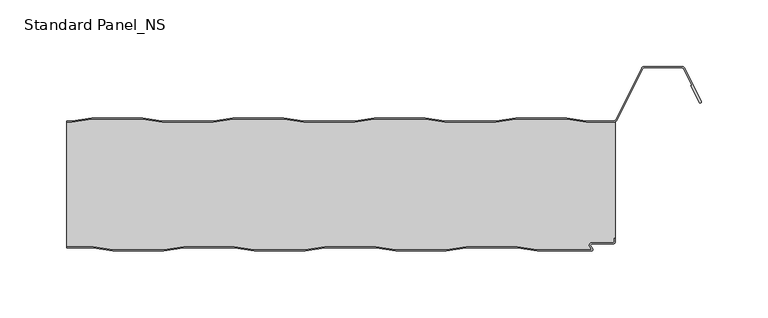
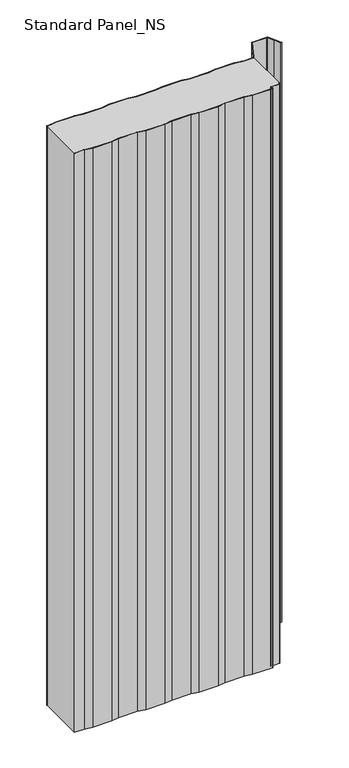
"""IFC4 building model written with IfcOpenShell, lengths in millimetres: proxy geometry, Standard Panel_NS."""

from ifc_helpers import new_model, si_unit, point, frame, frame_2d, origin, origin_with_axes, place, context, project, spatial, polyline, circle_curve, trimmed, segment, composite_curve, outline, extrude, source, transform, mapped, element, save
from ifc_brep_helpers import plane_surface, cylinder_surface, revolved_surface, advanced_brep


def standard_panel_ns_4eaff3cd(model_context):
    return source(origin(), model_context, "Body", "SolidModel", [
        extrude(outline(composite_curve([segment(polyline([(-203.6028864, 3.3), (-188.6028864, 0.8), (-150.7353064, 0.8), (-135.7353064, 3.3), (-97.6028864, 3.3), (-82.6028864, 0.8), (-44.7353064, 0.8), (-29.7353064, 3.3), (8.3971136, 3.3), (23.3971136, 0.8), (61.2646936, 0.8), (76.2646936, 3.3), (114.3971136, 3.3), (129.3971136, 0.8), (170.5052217, 0.8), (168.869845, 3.3204106)]), True, "CONTINUOUS"), segment(trimmed(circle_curve(frame_2d((170.3798342, 4.3001721)), 1.8), [point((168.869845, 3.3204106))], [point((170.3798342, 6.1001721))], False, "CARTESIAN"), True, "CONTINUOUS"), segment(polyline([(170.3798342, 6.1001721), (185.9659043, 6.1001721)]), True, "CONTINUOUS"), segment(trimmed(circle_curve(frame_2d((185.9659043, 7.4001714)), 1.2999993), [point((185.9659043, 6.1001721))], [point((187.2659036, 7.4001714))], True, "CARTESIAN"), True, "CONTINUOUS"), segment(polyline([(187.2659036, 7.4001714), (187.2659036, 9.4001722), (188.0659036, 9.4001722), (188.0659036, 7.4001714)]), True, "CONTINUOUS"), segment(trimmed(circle_curve(frame_2d((185.9659043, 7.4001714)), 2.0999993), [point((188.0659036, 7.4001714))], [point((185.9659043, 5.3001721))], False, "CARTESIAN"), True, "CONTINUOUS"), segment(polyline([(185.9659043, 5.3001721), (170.3798342, 5.3001721)]), True, "CONTINUOUS"), segment(trimmed(circle_curve(frame_2d((170.3798342, 4.3001721)), 1.0), [point((170.3798342, 5.3001721))], [point((169.5409513, 3.7558601))], True, "CARTESIAN"), True, "CONTINUOUS"), segment(polyline([(169.5409513, 3.7558601), (170.9759217, 1.5443119)]), True, "CONTINUOUS"), segment(trimmed(circle_curve(frame_2d((170.1370388, 1.0)), 1.0), [point((170.9759217, 1.5443119))], [point((170.1370388, 0.0))], False, "CARTESIAN"), True, "CONTINUOUS"), segment(polyline([(170.1370388, 0.0), (129.3309036, 0.0), (114.3309036, 2.5), (76.3309036, 2.5), (61.3309036, 0.0), (23.3309036, 0.0), (8.3309036, 2.5), (-29.6690964, 2.5), (-44.6690964, 0.0), (-82.6690964, 0.0), (-97.6690964, 2.5), (-135.6690964, 2.5), (-150.6690964, 0.0), (-188.6690964, 0.0), (-203.6690964, 2.5), (-223.4042607, 2.5), (-223.4042607, 3.3), (-203.6028864, 3.3)]), True, "CONTINUOUS")], self_intersect=False)), origin_with_axes(), (0.0, 0.0, 1.0), 1219.2),
        extrude(outline(composite_curve([segment(polyline([(-219.5261524, 97.5), (-204.6867594, 100.0), (-166.4777146, 100.0), (-151.6383215, 97.5), (-113.5261524, 97.5), (-98.6867594, 100.0), (-60.4777146, 100.0), (-45.6383215, 97.5), (-7.5261524, 97.5), (7.3132406, 100.0), (45.5222854, 100.0), (60.3616785, 97.5), (98.4738476, 97.5), (113.3132406, 100.0), (151.5222854, 100.0), (166.3616785, 97.5), (186.5082999, 97.5)]), True, "CONTINUOUS"), segment(trimmed(circle_curve(frame_2d((186.5082999, 99.8)), 2.3), [point((186.5082999, 97.5))], [point((188.5664438, 98.7733338))], True, "CARTESIAN"), True, "CONTINUOUS"), segment(polyline([(188.5664438, 98.7733338), (207.7687355, 137.2679093)]), True, "CONTINUOUS"), segment(trimmed(circle_curve(frame_2d((209.8268795, 136.241243)), 2.3), [point((207.7687355, 137.2679093))], [point((209.8268795, 138.541243))], False, "CARTESIAN"), True, "CONTINUOUS"), segment(polyline([(209.8268795, 138.541243), (237.9816419, 138.541243)]), True, "CONTINUOUS"), segment(trimmed(circle_curve(frame_2d((237.9816419, 136.241243)), 2.3), [point((237.9816419, 138.541243))], [point((240.039338, 137.2688066))], False, "CARTESIAN"), True, "CONTINUOUS"), segment(polyline([(240.039338, 137.2688066), (252.4495038, 112.4174495)]), True, "CONTINUOUS"), segment(trimmed(circle_curve(frame_2d((251.7337834, 112.0600361)), 0.8), [point((252.4495038, 112.4174495))], [point((251.018063, 111.7026227))], False, "CARTESIAN"), True, "CONTINUOUS"), segment(polyline([(251.018063, 111.7026227), (244.6739749, 124.4066593), (245.3896952, 124.7640727), (239.3236176, 136.9113932)]), True, "CONTINUOUS"), segment(trimmed(circle_curve(frame_2d((237.9816419, 136.241243)), 1.5), [point((239.3236176, 136.9113932))], [point((237.9816419, 137.741243))], True, "CARTESIAN"), True, "CONTINUOUS"), segment(polyline([(237.9816419, 137.741243), (209.8268795, 137.741243)]), True, "CONTINUOUS"), segment(trimmed(circle_curve(frame_2d((209.8268795, 136.241243)), 1.5), [point((209.8268795, 137.741243))], [point((208.4846117, 136.910808))], True, "CARTESIAN"), True, "CONTINUOUS"), segment(polyline([(208.4846117, 136.910808), (189.28232, 98.4162325)]), True, "CONTINUOUS"), segment(trimmed(circle_curve(frame_2d((186.5082999, 99.8)), 3.1), [point((189.28232, 98.4162325))], [point((186.5082999, 96.7))], False, "CARTESIAN"), True, "CONTINUOUS"), segment(polyline([(186.5082999, 96.7), (166.2947617, 96.7), (151.4553687, 99.2), (113.3801573, 99.2), (98.5407643, 96.7), (60.2947617, 96.7), (45.4553687, 99.2), (7.3801573, 99.2), (-7.4592357, 96.7), (-45.7052383, 96.7), (-60.5446313, 99.2), (-98.6198427, 99.2), (-113.4592357, 96.7), (-151.7052383, 96.7), (-166.5446313, 99.2), (-204.6198427, 99.2), (-219.4592357, 96.7), (-223.4042607, 96.7), (-223.4042607, 97.5), (-219.5261524, 97.5)]), True, "CONTINUOUS")], self_intersect=False)), origin_with_axes(), (0.0, 0.0, 1.0), 1219.2),
        advanced_brep(
        [(188.136916, 97.1622719, 1219.2), (186.5082999, 96.7, 1219.2), (166.2947617, 96.7, 1219.2), (151.4553687, 99.2, 1219.2), (113.3801573, 99.2, 1219.2), (98.5407643, 96.7, 1219.2), (60.2947617, 96.7, 1219.2), (45.4553687, 99.2, 1219.2), (7.3801573, 99.2, 1219.2), (-7.4592357, 96.7, 1219.2), (-45.7052383, 96.7, 1219.2), (-60.5446313, 99.2, 1219.2), (-98.6198427, 99.2, 1219.2), (-113.4592357, 96.7, 1219.2), (-151.7052383, 96.7, 1219.2), (-166.5446313, 99.2, 1219.2), (-204.6198427, 99.2, 1219.2), (-219.4592357, 96.7, 1219.2), (-223.4042607, 96.7, 1219.2), (-223.4042607, 3.3, 1219.2), (-203.6028864, 3.3, 1219.2), (-188.6028864, 0.8, 1219.2), (-150.7353064, 0.8, 1219.2), (-135.7353064, 3.3, 1219.2), (-97.6028864, 3.3, 1219.2), (-82.6028864, 0.8, 1219.2), (-44.7353064, 0.8, 1219.2), (-29.7353064, 3.3, 1219.2), (8.3971136, 3.3, 1219.2), (23.3971136, 0.8, 1219.2), (61.2646936, 0.8, 1219.2), (76.2646936, 3.3, 1219.2), (114.3971136, 3.3, 1219.2), (129.3971136, 0.8, 1219.2), (170.5052217, 0.8, 1219.2), (168.869845, 3.3204106, 1219.2), (170.3798342, 6.1001721, 1219.2), (185.9659043, 6.1001721, 1219.2), (187.2659036, 7.4001714, 1219.2), (187.2659036, 9.4001722, 1219.2), (188.1042607, 9.4, 1219.2), (-219.4592357, 96.7, 0.0), (-204.6198427, 99.2, 0.0), (-166.5446313, 99.2, 0.0), (-151.7052383, 96.7, 0.0), (-113.4592357, 96.7, 0.0), (-98.6198427, 99.2, 0.0), (-60.5446313, 99.2, 0.0), (-45.7052383, 96.7, 0.0), (-7.4592357, 96.7, 0.0), (7.3801573, 99.2, 0.0), (45.4553687, 99.2, 0.0), (60.2947617, 96.7, 0.0), (98.5407643, 96.7, 0.0), (113.3801573, 99.2, 0.0), (151.4553687, 99.2, 0.0), (166.2947617, 96.7, 0.0), (186.5082999, 96.7, 0.0), (188.136916, 97.1622719, 0.0), (188.1042607, 9.4, 0.0), (187.2659036, 9.4, 0.0), (187.2659036, 7.4001714, 0.0), (185.9659043, 6.1001721, 0.0), (170.3798342, 6.1001721, 0.0), (168.869845, 3.3204106, 0.0), (170.5052217, 0.8, 0.0), (129.3971136, 0.8, 0.0), (114.3971136, 3.3, 0.0), (76.2646936, 3.3, 0.0), (61.2646936, 0.8, 0.0), (23.3971136, 0.8, 0.0), (8.3971136, 3.3, 0.0), (-29.7353064, 3.3, 0.0), (-44.7353064, 0.8, 0.0), (-82.6028864, 0.8, 0.0), (-97.6028864, 3.3, 0.0), (-135.7353064, 3.3, 0.0), (-150.7353064, 0.8, 0.0), (-188.6028864, 0.8, 0.0), (-203.6028864, 3.3, 0.0), (-223.4042607, 3.3, 0.0), (-223.4042607, 96.7, 0.0)],
        [
            (0, 1, circle_curve(frame((186.5082999, 99.8, 1219.2), z_axis=(0.0, 0.0, -1.0), x_axis=(-1.0, 0.0, 0.0)), 3.1)),
            (1, 2),
            (2, 3),
            (3, 4),
            (4, 5),
            (5, 6),
            (6, 7),
            (7, 8),
            (8, 9),
            (9, 10),
            (10, 11),
            (11, 12),
            (12, 13),
            (13, 14),
            (14, 15),
            (15, 16),
            (16, 17),
            (17, 18),
            (18, 19),
            (19, 20),
            (20, 21),
            (21, 22),
            (22, 23),
            (23, 24),
            (24, 25),
            (25, 26),
            (26, 27),
            (27, 28),
            (28, 29),
            (29, 30),
            (30, 31),
            (31, 32),
            (32, 33),
            (33, 34),
            (34, 35),
            (35, 36, circle_curve(frame((170.3798342, 4.3001721, 1219.2), z_axis=(0.0, 0.0, -1.0), x_axis=(-1.0, 0.0, 0.0)), 1.8)),
            (36, 37),
            (37, 38, circle_curve(frame((185.9659043, 7.4001714, 1219.2), z_axis=(0.0, 0.0, 1.0), x_axis=(-1.0, 0.0, 0.0)), 1.2999993)),
            (38, 39),
            (39, 40),
            (40, 0),
            (41, 42),
            (42, 43),
            (43, 44),
            (44, 45),
            (45, 46),
            (46, 47),
            (47, 48),
            (48, 49),
            (49, 50),
            (50, 51),
            (51, 52),
            (52, 53),
            (53, 54),
            (54, 55),
            (55, 56),
            (56, 57),
            (57, 58, circle_curve(frame((186.5082999, 99.8, 0.0), z_axis=(0.0, 0.0, 1.0), x_axis=(-1.0, 0.0, 0.0)), 3.1)),
            (58, 59),
            (59, 60),
            (60, 61),
            (61, 62, circle_curve(frame((185.9659043, 7.4001714, 0.0), z_axis=(0.0, 0.0, -1.0), x_axis=(-1.0, 0.0, 0.0)), 1.2999993)),
            (62, 63),
            (63, 64, circle_curve(frame((170.3798342, 4.3001721, 0.0), z_axis=(0.0, 0.0, 1.0), x_axis=(-1.0, 0.0, 0.0)), 1.8)),
            (64, 65),
            (65, 66),
            (66, 67),
            (67, 68),
            (68, 69),
            (69, 70),
            (70, 71),
            (71, 72),
            (72, 73),
            (73, 74),
            (74, 75),
            (75, 76),
            (76, 77),
            (77, 78),
            (78, 79),
            (79, 80),
            (80, 81),
            (81, 41),
            (58, 0),
            (40, 59),
            (57, 1),
            (56, 2),
            (55, 3),
            (54, 4),
            (53, 5),
            (52, 6),
            (51, 7),
            (50, 8),
            (49, 9),
            (48, 10),
            (47, 11),
            (46, 12),
            (45, 13),
            (44, 14),
            (43, 15),
            (42, 16),
            (41, 17),
            (81, 18),
            (39, 60),
            (79, 20),
            (19, 80),
            (78, 21),
            (77, 22),
            (76, 23),
            (75, 24),
            (74, 25),
            (73, 26),
            (72, 27),
            (71, 28),
            (70, 29),
            (69, 30),
            (68, 31),
            (67, 32),
            (66, 33),
            (65, 34),
            (64, 35),
            (63, 36),
            (62, 37),
            (61, 38),
        ],
        [
            plane_surface(frame((-276.0957393, 99.2, 1219.2), z_axis=(0.0, 0.0, 1.0), x_axis=(0.0, 1.0, 0.0))),
            plane_surface(frame((-276.0957393, 99.2, 0.0), z_axis=(0.0, 0.0, -1.0), x_axis=(0.0, 1.0, 0.0))),
            plane_surface(frame((188.136916, 94.25, 1219.2), z_axis=(1.0, 0.0, 0.0), x_axis=(0.0, 0.0, -1.0))),
            revolved_surface(polyline([(183.4082999, 99.8, 0.0), (183.4082999, 99.8, 1219.2)]), (186.5082999, 99.8, 1219.2), (0.0, 0.0, -1.0)),
            plane_surface(frame((186.5082999, 96.7, 1219.2), z_axis=(0.0, 1.0, 0.0), x_axis=(0.0, 0.0, -1.0))),
            plane_surface(frame((166.2947617, 96.7, 1219.2), z_axis=(0.16612942863435848, 0.9861039564577467, 0.0), x_axis=(0.0, 0.0, -1.0))),
            plane_surface(frame((151.4553687, 99.2, 1219.2), z_axis=(0.0, 1.0, 0.0), x_axis=(0.0, 0.0, -1.0))),
            plane_surface(frame((113.3801573, 99.2, 1219.2), z_axis=(-0.16612942863454067, 0.9861039564577161, 0.0), x_axis=(0.0, 0.0, -1.0))),
            plane_surface(frame((98.5407643, 96.7, 1219.2), z_axis=(0.0, 1.0, 0.0), x_axis=(0.0, 0.0, -1.0))),
            plane_surface(frame((60.2947617, 96.7, 1219.2), z_axis=(0.1661294286345235, 0.986103956457719, 0.0), x_axis=(0.0, 0.0, -1.0))),
            plane_surface(frame((45.4553687, 99.2, 1219.2), z_axis=(0.0, 1.0, 0.0), x_axis=(0.0, 0.0, -1.0))),
            plane_surface(frame((7.3801573, 99.2, 1219.2), z_axis=(-0.16612942863454067, 0.9861039564577161, 0.0), x_axis=(0.0, 0.0, -1.0))),
            plane_surface(frame((-7.4592357, 96.7, 1219.2), z_axis=(0.0, 1.0, 0.0), x_axis=(0.0, 0.0, -1.0))),
            plane_surface(frame((-45.7052383, 96.7, 1219.2), z_axis=(0.16612942863435848, 0.9861039564577467, 0.0), x_axis=(0.0, 0.0, -1.0))),
            plane_surface(frame((-60.5446313, 99.2, 1219.2), z_axis=(0.0, 1.0, 0.0), x_axis=(0.0, 0.0, -1.0))),
            plane_surface(frame((-98.6198427, 99.2, 1219.2), z_axis=(-0.16612942863472926, 0.9861039564576843, 0.0), x_axis=(0.0, 0.0, -1.0))),
            plane_surface(frame((-113.4592357, 96.7, 1219.2), z_axis=(0.0, 1.0, 0.0), x_axis=(0.0, 0.0, -1.0))),
            plane_surface(frame((-151.7052383, 96.7, 1219.2), z_axis=(0.1661294286345235, 0.986103956457719, 0.0), x_axis=(0.0, 0.0, -1.0))),
            plane_surface(frame((-166.5446313, 99.2, 1219.2), z_axis=(0.0, 1.0, 0.0), x_axis=(0.0, 0.0, -1.0))),
            plane_surface(frame((-204.6198427, 99.2, 1219.2), z_axis=(-0.16612942863435204, 0.9861039564577478, 0.0), x_axis=(0.0, 0.0, -1.0))),
            plane_surface(frame((-219.4592357, 96.7, 1219.2), z_axis=(0.0, 1.0, 0.0), x_axis=(0.0, 0.0, -1.0))),
            plane_surface(frame((-811.8956486, 9.4, 1219.2), z_axis=(0.0, -1.0, 0.0), x_axis=(0.0, 0.0, -1.0))),
            plane_surface(frame((-241.7353064, 3.3, 1219.2), z_axis=(0.0, -1.0, 0.0), x_axis=(0.0, 0.0, -1.0))),
            plane_surface(frame((-203.6028864, 3.3, 1219.2), z_axis=(-0.1643989873053467, -0.9863939238321456, 0.0), x_axis=(0.0, 0.0, -1.0))),
            plane_surface(frame((-188.6028864, 0.8, 1219.2), z_axis=(0.0, -1.0, 0.0), x_axis=(0.0, 0.0, -1.0))),
            plane_surface(frame((-150.7353064, 0.8, 1219.2), z_axis=(0.1643989873053679, -0.9863939238321421, 0.0), x_axis=(0.0, 0.0, -1.0))),
            plane_surface(frame((-135.7353064, 3.3, 1219.2), z_axis=(0.0, -1.0, 0.0), x_axis=(0.0, 0.0, -1.0))),
            plane_surface(frame((-97.6028864, 3.3, 1219.2), z_axis=(-0.1643989873053467, -0.9863939238321456, 0.0), x_axis=(0.0, 0.0, -1.0))),
            plane_surface(frame((-82.6028864, 0.8, 1219.2), z_axis=(0.0, -1.0, 0.0), x_axis=(0.0, 0.0, -1.0))),
            plane_surface(frame((-44.7353064, 0.8, 1219.2), z_axis=(0.16439898730518315, -0.9863939238321728, 0.0), x_axis=(0.0, 0.0, -1.0))),
            plane_surface(frame((-29.7353064, 3.3, 1219.2), z_axis=(0.0, -1.0, 0.0), x_axis=(0.0, 0.0, -1.0))),
            plane_surface(frame((8.3971136, 3.3, 1219.2), z_axis=(-0.1643989873053467, -0.9863939238321456, 0.0), x_axis=(0.0, 0.0, -1.0))),
            plane_surface(frame((23.3971136, 0.8, 1219.2), z_axis=(0.0, -1.0, 0.0), x_axis=(0.0, 0.0, -1.0))),
            plane_surface(frame((61.2646936, 0.8, 1219.2), z_axis=(0.1643989873053679, -0.9863939238321421, 0.0), x_axis=(0.0, 0.0, -1.0))),
            plane_surface(frame((76.2646936, 3.3, 1219.2), z_axis=(0.0, -1.0, 0.0), x_axis=(0.0, 0.0, -1.0))),
            plane_surface(frame((114.3971136, 3.3, 1219.2), z_axis=(-0.16439898730516195, -0.9863939238321764, 0.0), x_axis=(0.0, 0.0, -1.0))),
            plane_surface(frame((129.3971136, 0.8, 1219.2), z_axis=(0.0, -1.0, 0.0), x_axis=(0.0, 0.0, -1.0))),
            plane_surface(frame((170.5052217, 0.8, 1219.2), z_axis=(0.8388828900539764, 0.5443119480359477, 0.0), x_axis=(0.0, 0.0, -1.0))),
            revolved_surface(polyline([(168.5798342, 4.3001721, 0.0), (168.5798342, 4.3001721, 1219.2)]), (170.3798342, 4.3001721, 1219.2), (0.0, 0.0, -1.0)),
            plane_surface(frame((170.3798342, 6.1001721, 1219.2), z_axis=(0.0, -1.0, 0.0), x_axis=(0.0, 0.0, -1.0))),
            cylinder_surface(frame((185.9659043, 7.4001714, 1219.2), z_axis=(0.0, 0.0, 1.0), x_axis=(-1.0, 0.0, 0.0)), 1.2999993),
            plane_surface(frame((187.2659036, 7.4001714, 1219.2), z_axis=(1.0, 0.0, 0.0), x_axis=(0.0, 0.0, -1.0))),
            plane_surface(frame((-223.4042607, -30.0, 1219.2), z_axis=(-1.0, 0.0, 0.0), x_axis=(0.0, 0.0, -1.0))),
        ],
        [
            (0, [[1, 2, 3, 4, 5, 6, 7, 8, 9, 10, 11, 12, 13, 14, 15, 16, 17, 18, 19, 20, 21, 22, 23, 24, 25, 26, 27, 28, 29, 30, 31, 32, 33, 34, 35, 36, 37, 38, 39, 40, 41]]),
            (1, [[42, 43, 44, 45, 46, 47, 48, 49, 50, 51, 52, 53, 54, 55, 56, 57, 58, 59, 60, 61, 62, 63, 64, 65, 66, 67, 68, 69, 70, 71, 72, 73, 74, 75, 76, 77, 78, 79, 80, 81, 82]]),
            (2, [[83, -41, 84, -59]]),
            (3, [[-1, -83, -58, 85]]),
            (4, [[-2, -85, -57, 86]]),
            (5, [[-3, -86, -56, 87]]),
            (6, [[-4, -87, -55, 88]]),
            (7, [[-5, -88, -54, 89]]),
            (8, [[-6, -89, -53, 90]]),
            (9, [[-7, -90, -52, 91]]),
            (10, [[-8, -91, -51, 92]]),
            (11, [[-9, -92, -50, 93]]),
            (12, [[-10, -93, -49, 94]]),
            (13, [[-11, -94, -48, 95]]),
            (14, [[-12, -95, -47, 96]]),
            (15, [[-13, -96, -46, 97]]),
            (16, [[-14, -97, -45, 98]]),
            (17, [[-15, -98, -44, 99]]),
            (18, [[-16, -99, -43, 100]]),
            (19, [[-17, -100, -42, 101]]),
            (20, [[-101, -82, 102, -18]]),
            (21, [[-84, -40, 103, -60]]),
            (22, [[104, -20, 105, -80]]),
            (23, [[-21, -104, -79, 106]]),
            (24, [[-22, -106, -78, 107]]),
            (25, [[-23, -107, -77, 108]]),
            (26, [[-24, -108, -76, 109]]),
            (27, [[-25, -109, -75, 110]]),
            (28, [[-26, -110, -74, 111]]),
            (29, [[-27, -111, -73, 112]]),
            (30, [[-28, -112, -72, 113]]),
            (31, [[-29, -113, -71, 114]]),
            (32, [[-30, -114, -70, 115]]),
            (33, [[-31, -115, -69, 116]]),
            (34, [[-32, -116, -68, 117]]),
            (35, [[-33, -117, -67, 118]]),
            (36, [[-34, -118, -66, 119]]),
            (37, [[-35, -119, -65, 120]]),
            (38, [[-36, -120, -64, 121]]),
            (39, [[-37, -121, -63, 122]]),
            (40, [[-38, -122, -62, 123]]),
            (41, [[-39, -123, -61, -103]]),
            (42, [[-19, -102, -81, -105]]),
        ],
    ),
    ])


if __name__ == "__main__":
    model = new_model("IFC4")
    model_context = context("Model", 3, world=origin())
    ifc_project = project(units=[si_unit("LENGTHUNIT", "METRE", prefix="MILLI")], contexts=[model_context])
    site = spatial("IfcSite", under=ifc_project)
    building = spatial("IfcBuilding", under=site)
    placement = place(None, origin())
    standard_panel_ns_shape = standard_panel_ns_4eaff3cd(model_context)
    element("IfcBuildingElementProxy", 1, Name="Standard Panel_NS", ObjectType="Standard Panel_NS", at=placement, inside=building, context=model_context, shape_type="MappedRepresentation", body=[
        mapped(standard_panel_ns_shape, transform((0.0, 0.0, 0.0), x_axis=(1.0, 0.0, 0.0), y_axis=(0.0, 1.0, 0.0), z_axis=(0.0, 0.0, 1.0))),
    ])
    save(model, "model.ifc")
